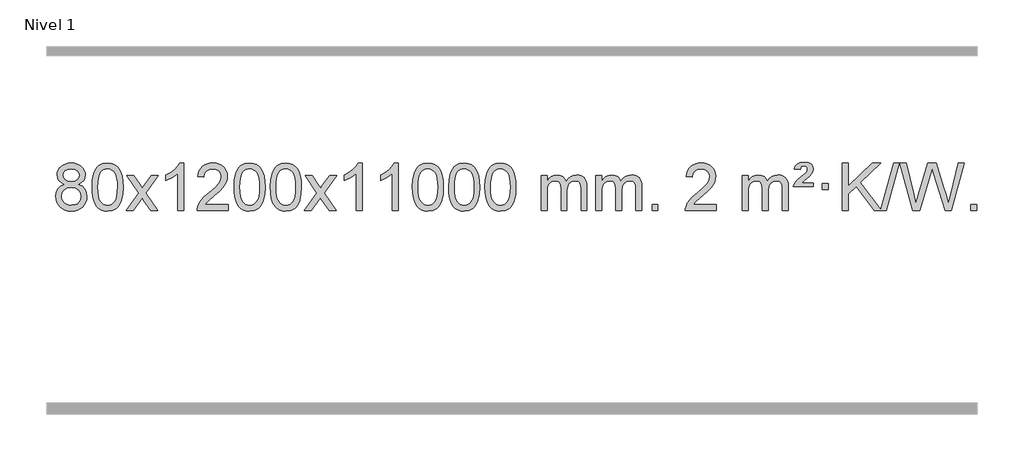
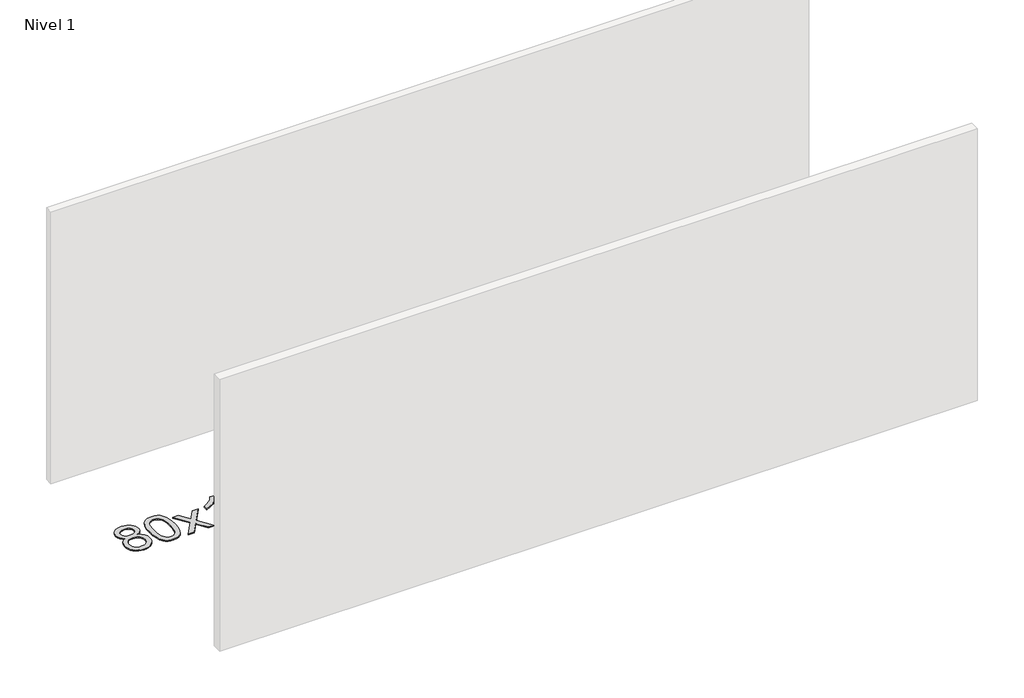
# One storey, part 13 of 14: 1 proxy.
"""IFC4 building model written with IfcOpenShell, lengths in millimetres."""

from ifc_helpers import new_model, si_unit, origin, origin_with_axes, place, context, project, spatial, polyline, outline, extrude, element, save

model = new_model("IFC4")

# Units and contexts
model_context = context("Model", 3, world=origin())
ifc_project = project(units=[si_unit("LENGTHUNIT", "METRE", prefix="MILLI")], contexts=[model_context])

# Site, building, storey
site = spatial("IfcSite", under=ifc_project)
building = spatial("IfcBuilding", under=site)
storey = spatial("IfcBuildingStorey", under=building, Name="Nivel 1", Elevation=0.0)

# Proxy
placement = place(None, origin())
element("IfcBuildingElementProxy", 1, Name="Texto de modelo 1", ObjectType="Texto de modelo 1", at=placement, inside=storey, context=model_context, shape_type="SweptSolid", body=[
    extrude(outline(polyline([(-79.8464592, -170.2616447), (-106.738633, -157.0178929), (-125.6109794, -139.0652515), (-136.7578039, -116.7716026), (-140.473412, -90.5048281), (-138.450061, -70.0199324), (-132.3800081, -51.2395565), (-122.2632532, -34.1637006), (-108.0997964, -18.7923645), (-90.5702194, -6.088173), (-70.3551037, 2.9862496), (-47.4544495, 8.4309031), (-21.8682568, 10.2457876), (3.8405633, 8.3879835), (26.9128958, 2.8145713), (47.3487406, -6.4744491), (65.1480978, -19.4790776), (79.569072, -35.1508506), (89.8697679, -52.4413044), (96.0501854, -71.3504389), (98.1103246, -91.8782543), (94.4437674, -117.2989001), (83.4440957, -139.2124043), (64.9886823, -157.0546811), (38.9548998, -170.2616447), (69.8692501, -186.1909351), (92.3713655, -209.6495436), (106.0933639, -239.5092989), (110.6673634, -274.6420295), (108.3987577, -299.6947933), (101.5929408, -322.6628926), (90.2499126, -343.5463272), (74.3696732, -362.3450971), (54.7860883, -377.88198), (32.3330239, -388.9797536), (7.0104799, -395.6384177), (-21.1815437, -397.8579724), (-49.3735673, -395.6292206), (-74.6961113, -388.9429654), (-97.1491757, -377.7992066), (-116.7327606, -362.1979443), (-132.613, -343.26735), (-143.9560282, -322.135595), (-150.7618451, -298.8026795), (-153.0304508, -273.2686033), (-148.2725103, -236.7747094), (-133.9986889, -206.7555386), (-110.9447505, -184.2411605), (-79.8464592, -170.2616447)]), holes=[polyline([(-90.2452569, -91.9763561), (-85.7938848, -113.902123), (-72.4397684, -131.413306), (-50.5753151, -142.8912243), (-20.5929325, -146.717197), (8.6904743, -142.9157497), (30.2238338, -131.5114079), (43.4675856, -114.5888361), (47.8821695, -94.232699), (43.3204328, -73.1040098), (29.6352226, -55.629615), (7.8075575, -43.8941794), (-21.1815437, -39.9823675), (-50.3545859, -43.8083402), (-72.1454628, -55.2862585), (-85.7203084, -72.1107284), (-90.2452569, -91.9763561)]), polyline([(-102.8022957, -271.5027698), (-100.7053683, -290.7184726), (-94.4145862, -309.3210389), (-82.8017779, -325.5446349), (-64.7387719, -337.623427), (-43.1073106, -345.1282197), (-20.7891362, -347.6298173), (13.3993638, -342.3691048), (27.2930405, -335.7932141), (39.0530016, -326.5869672), (55.0926566, -302.6869002), (60.4392083, -273.0723996), (54.9209784, -242.9551269), (38.3662886, -218.5277625), (26.2874964, -209.0854579), (12.1240396, -202.3409547), (-22.4568679, -196.9453521), (-56.1671214, -202.2673783), (-69.9044483, -208.919911), (-81.5632418, -218.2334569), (-97.4925322, -242.1948375), (-102.8022957, -271.5027698)])]), origin_with_axes(), (0.0, 0.0, 1.0), 10.0),
    extrude(outline(polyline([(154.6169991, -193.9041943), (158.3080817, -129.5861588), (169.3813298, -78.2911459), (187.7263786, -39.2343407), (199.5844416, -24.0009605), (213.2328636, -11.6309284), (228.7176299, -2.0598651), (246.0847258, 4.7766086), (286.4659061, 10.2457876), (317.4170447, 7.008426), (345.1308216, -2.7036586), (368.3073873, -18.5103217), (385.646892, -40.0314184), (398.7434911, -67.0830078), (409.1913397, -99.4811488), (416.0339448, -140.6226186), (418.3148132, -193.9041943), (414.6605187, -257.8543477), (403.6976353, -309.0267333), (385.462951, -348.1203266), (373.6324792, -363.3996922), (359.9932542, -375.8341036), (344.4900938, -385.4695462), (327.0678157, -392.3520052), (286.4659061, -397.8579724), (258.8011801, -395.4667394), (234.2757138, -388.2930405), (212.8895071, -376.3368757), (194.6425601, -359.5982449), (177.1313772, -329.3399508), (164.6233893, -291.6381776), (157.1185966, -246.4929255), (154.6169991, -193.9041943)]), holes=[polyline([(204.8451541, -193.8060924), (206.3166821, -237.4706195), (210.7312661, -272.8148822), (218.088906, -299.8388804), (228.3896018, -318.5426142), (240.8485387, -331.2682656), (254.6809018, -340.3580165), (269.8866909, -345.8118671), (286.4659061, -347.6298173), (303.0451214, -345.8057357), (318.2509105, -340.3334911), (332.0832735, -331.2130833), (344.5422104, -318.4445124), (354.8429063, -299.7101217), (362.2005462, -272.6922549), (366.6151301, -237.3909118), (368.0866581, -193.8060924), (366.6641811, -151.2973278), (362.3967499, -116.5753989), (355.2843647, -89.6403055), (345.3270254, -70.4920476), (333.0765549, -57.1440625), (319.0847764, -47.6097875), (303.3516897, -41.8892225), (285.8772949, -39.9823675), (269.3839188, -41.6623619), (254.4356471, -46.7023452), (241.0324797, -55.1023175), (229.1744168, -66.8622786), (218.5303644, -87.708925), (210.9274698, -115.8151094), (206.3657331, -151.1808319), (204.8451541, -193.8060924)])]), origin_with_axes(), (0.0, 0.0, 1.0), 10.0),
    extrude(outline(polyline([(443.4288907, -391.579453), (550.7523315, -243.2494325), (449.7074101, -96.4890419), (510.1381592, -96.4890419), (558.8947863, -167.122385), (581.6544191, -200.4770192), (601.372894, -173.2047007), (656.8985498, -96.4890419), (717.3292989, -96.4890419), (611.1830805, -243.2494325), (713.4052243, -391.579453), (652.9744752, -391.579453), (591.4646056, -302.4048574), (580.1828911, -286.1199477), (503.8596398, -391.579453), (443.4288907, -391.579453)])), origin_with_axes(), (0.0, 0.0, 1.0), 10.0),
    extrude(outline(polyline([(933.1534027, -391.579453), (882.9252476, -391.579453), (882.9252476, -78.4382987), (861.9559739, -95.3976587), (835.3458429, -112.3324932), (782.4689375, -137.6918254), (782.4689375, -90.2105225), (821.9181501, -68.7507395), (856.0943875, -43.219729), (883.0356122, -16.0700378), (900.7797871, 10.2457876), (933.1534027, 10.2457876), (933.1534027, -391.579453)])), origin_with_axes(), (0.0, 0.0, 1.0), 10.0),
    extrude(outline(polyline([(1309.8645658, -341.3512979), (1309.8645658, -391.579453), (1046.1667516, -391.579453), (1047.2703976, -373.8965918), (1051.5623542, -356.9494945), (1063.9477147, -329.8856424), (1082.0720344, -303.6311307), (1108.2897579, -276.1503456), (1144.9553301, -245.4076736), (1199.1566107, -197.2641831), (1231.6773791, -161.7267824), (1247.9377633, -132.884834), (1253.3578913, -104.8277005), (1248.2443316, -79.6768347), (1232.9036524, -58.7688747), (1209.3224165, -44.6789943), (1179.4871867, -39.9823675), (1148.1559034, -44.5686297), (1123.8143781, -58.3274163), (1108.1058169, -80.1796068), (1102.6734261, -109.0460807), (1052.445271, -102.7675613), (1056.7648188, -76.838012), (1064.6221651, -54.1826125), (1076.0173099, -34.8013627), (1090.9502532, -18.6942627), (1109.0776385, -6.0329907), (1130.0561093, 3.010775), (1153.8856655, 8.4370345), (1180.5663072, 10.2457876), (1207.4860722, 8.2346994), (1231.4443871, 2.2014346), (1252.441252, -7.8540066), (1270.4766668, -21.9316242), (1284.9620204, -38.9890861), (1295.3087015, -57.9840598), (1301.5167102, -78.9165453), (1303.5860464, -101.7865427), (1301.354229, -125.8092369), (1294.6587766, -149.4149983), (1282.7761882, -173.4254299), (1264.9829624, -198.6621347), (1236.6192605, -228.7916701), (1193.0252441, -267.4805933), (1135.2432454, -315.795762), (1112.5817145, -341.3512979), (1309.8645658, -341.3512979)])), origin_with_axes(), (0.0, 0.0, 1.0), 10.0),
    extrude(outline(polyline([(1360.0927209, -193.9041943), (1363.7838035, -129.5861588), (1374.8570516, -78.2911459), (1393.2021004, -39.2343407), (1405.0601634, -24.0009605), (1418.7085854, -11.6309284), (1434.1933517, -2.0598651), (1451.5604476, 4.7766086), (1491.9416279, 10.2457876), (1522.8927665, 7.008426), (1550.6065434, -2.7036586), (1573.7831091, -18.5103217), (1591.1226138, -40.0314184), (1604.2192129, -67.0830078), (1614.6670615, -99.4811488), (1621.5096666, -140.6226186), (1623.790535, -193.9041943), (1620.1362405, -257.8543477), (1609.1733571, -309.0267333), (1590.9386728, -348.1203266), (1579.108201, -363.3996922), (1565.468976, -375.8341036), (1549.9658156, -385.4695462), (1532.5435375, -392.3520052), (1491.9416279, -397.8579724), (1464.2769019, -395.4667394), (1439.7514355, -388.2930405), (1418.3652289, -376.3368757), (1400.1182819, -359.5982449), (1382.607099, -329.3399508), (1370.0991111, -291.6381776), (1362.5943184, -246.4929255), (1360.0927209, -193.9041943)]), holes=[polyline([(1410.3208759, -193.8060924), (1411.7924039, -237.4706195), (1416.2069879, -272.8148822), (1423.5646278, -299.8388804), (1433.8653236, -318.5426142), (1446.3242605, -331.2682656), (1460.1566235, -340.3580165), (1475.3624127, -345.8118671), (1491.9416279, -347.6298173), (1508.5208432, -345.8057357), (1523.7266323, -340.3334911), (1537.5589953, -331.2130833), (1550.0179322, -318.4445124), (1560.3186281, -299.7101217), (1567.676268, -272.6922549), (1572.0908519, -237.3909118), (1573.5623799, -193.8060924), (1572.1399029, -151.2973278), (1567.8724717, -116.5753989), (1560.7600865, -89.6403055), (1550.8027472, -70.4920476), (1538.5522767, -57.1440625), (1524.5604982, -47.6097875), (1508.8274115, -41.8892225), (1491.3530167, -39.9823675), (1474.8596406, -41.6623619), (1459.9113689, -46.7023452), (1446.5082015, -55.1023175), (1434.6501385, -66.8622786), (1424.0060862, -87.708925), (1416.4031916, -115.8151094), (1411.8414548, -151.1808319), (1410.3208759, -193.8060924)])]), origin_with_axes(), (0.0, 0.0, 1.0), 10.0),
    extrude(outline(polyline([(1667.7401707, -193.9041943), (1671.4312534, -129.5861588), (1682.5045014, -78.2911459), (1700.8495503, -39.2343407), (1712.7076132, -24.0009605), (1726.3560353, -11.6309284), (1741.8408016, -2.0598651), (1759.2078974, 4.7766086), (1799.5890778, 10.2457876), (1830.5402163, 7.008426), (1858.2539933, -2.7036586), (1881.430559, -18.5103217), (1898.7700637, -40.0314184), (1911.8666627, -67.0830078), (1922.3145114, -99.4811488), (1929.1571165, -140.6226186), (1931.4379848, -193.9041943), (1927.7836903, -257.8543477), (1916.8208069, -309.0267333), (1898.5861227, -348.1203266), (1886.7556508, -363.3996922), (1873.1164259, -375.8341036), (1857.6132655, -385.4695462), (1840.1909873, -392.3520052), (1799.5890778, -397.8579724), (1771.9243517, -395.4667394), (1747.3988854, -388.2930405), (1726.0126787, -376.3368757), (1707.7657318, -359.5982449), (1690.2545488, -329.3399508), (1677.746561, -291.6381776), (1670.2417683, -246.4929255), (1667.7401707, -193.9041943)]), holes=[polyline([(1717.9683258, -193.8060924), (1719.4398537, -237.4706195), (1723.8544377, -272.8148822), (1731.2120776, -299.8388804), (1741.5127735, -318.5426142), (1753.9717104, -331.2682656), (1767.8040734, -340.3580165), (1783.0098625, -345.8118671), (1799.5890778, -347.6298173), (1816.168293, -345.8057357), (1831.3740821, -340.3334911), (1845.2064452, -331.2130833), (1857.6653821, -318.4445124), (1867.9660779, -299.7101217), (1875.3237178, -272.6922549), (1879.7383018, -237.3909118), (1881.2098298, -193.8060924), (1879.7873527, -151.2973278), (1875.5199216, -116.5753989), (1868.4075363, -89.6403055), (1858.450197, -70.4920476), (1846.1997266, -57.1440625), (1832.207948, -47.6097875), (1816.4748613, -41.8892225), (1799.0004666, -39.9823675), (1782.5070905, -41.6623619), (1767.5588187, -46.7023452), (1754.1556514, -55.1023175), (1742.2975884, -66.8622786), (1731.653536, -87.708925), (1724.0506414, -115.8151094), (1719.4889047, -151.1808319), (1717.9683258, -193.8060924)])]), origin_with_axes(), (0.0, 0.0, 1.0), 10.0),
    extrude(outline(polyline([(1956.5520624, -391.579453), (2063.8755031, -243.2494325), (1962.8305818, -96.4890419), (2023.2613308, -96.4890419), (2072.0179579, -167.122385), (2094.7775907, -200.4770192), (2114.4960656, -173.2047007), (2170.0217214, -96.4890419), (2230.4524705, -96.4890419), (2124.3062522, -243.2494325), (2226.5283959, -391.579453), (2166.0976468, -391.579453), (2104.5877772, -302.4048574), (2093.3060627, -286.1199477), (2016.9828114, -391.579453), (1956.5520624, -391.579453)])), origin_with_axes(), (0.0, 0.0, 1.0), 10.0),
    extrude(outline(polyline([(2446.2765744, -391.579453), (2396.0484193, -391.579453), (2396.0484193, -78.4382987), (2375.0791456, -95.3976587), (2348.4690146, -112.3324932), (2295.5921091, -137.6918254), (2295.5921091, -90.2105225), (2335.0413217, -68.7507395), (2369.2175591, -43.219729), (2396.1587839, -16.0700378), (2413.9029588, 10.2457876), (2446.2765744, 10.2457876), (2446.2765744, -391.579453)])), origin_with_axes(), (0.0, 0.0, 1.0), 10.0),
    extrude(outline(polyline([(2753.9240242, -391.579453), (2703.6958691, -391.579453), (2703.6958691, -78.4382987), (2682.7265954, -95.3976587), (2656.1164644, -112.3324932), (2603.239559, -137.6918254), (2603.239559, -90.2105225), (2642.6887716, -68.7507395), (2676.8650089, -43.219729), (2703.8062337, -16.0700378), (2721.5504086, 10.2457876), (2753.9240242, 10.2457876), (2753.9240242, -391.579453)])), origin_with_axes(), (0.0, 0.0, 1.0), 10.0),
    extrude(outline(polyline([(2873.2158925, -193.9041943), (2876.9069752, -129.5861588), (2887.9802232, -78.2911459), (2906.3252721, -39.2343407), (2918.183335, -24.0009605), (2931.8317571, -11.6309284), (2947.3165234, -2.0598651), (2964.6836192, 4.7766086), (3005.0647996, 10.2457876), (3036.0159381, 7.008426), (3063.7297151, -2.7036586), (3086.9062808, -18.5103217), (3104.2457855, -40.0314184), (3117.3423845, -67.0830078), (3127.7902331, -99.4811488), (3134.6328383, -140.6226186), (3136.9137066, -193.9041943), (3133.2594121, -257.8543477), (3122.2965287, -309.0267333), (3104.0618445, -348.1203266), (3092.2313726, -363.3996922), (3078.5921477, -375.8341036), (3063.0889872, -385.4695462), (3045.6667091, -392.3520052), (3005.0647996, -397.8579724), (2977.4000735, -395.4667394), (2952.8746072, -388.2930405), (2931.4884005, -376.3368757), (2913.2414536, -359.5982449), (2895.7302706, -329.3399508), (2883.2222828, -291.6381776), (2875.7174901, -246.4929255), (2873.2158925, -193.9041943)]), holes=[polyline([(2923.4440476, -193.8060924), (2924.9155755, -237.4706195), (2929.3301595, -272.8148822), (2936.6877994, -299.8388804), (2946.9884953, -318.5426142), (2959.4474322, -331.2682656), (2973.2797952, -340.3580165), (2988.4855843, -345.8118671), (3005.0647996, -347.6298173), (3021.6440148, -345.8057357), (3036.8498039, -340.3334911), (3050.682167, -331.2130833), (3063.1411039, -318.4445124), (3073.4417997, -299.7101217), (3080.7994396, -272.6922549), (3085.2140236, -237.3909118), (3086.6855516, -193.8060924), (3085.2630745, -151.2973278), (3080.9956434, -116.5753989), (3073.8832581, -89.6403055), (3063.9259188, -70.4920476), (3051.6754483, -57.1440625), (3037.6836698, -47.6097875), (3021.9505831, -41.8892225), (3004.4761884, -39.9823675), (2987.9828122, -41.6623619), (2973.0345405, -46.7023452), (2959.6313732, -55.1023175), (2947.7733102, -66.8622786), (2937.1292578, -87.708925), (2929.5263632, -115.8151094), (2924.9646265, -151.1808319), (2923.4440476, -193.8060924)])]), origin_with_axes(), (0.0, 0.0, 1.0), 10.0),
    extrude(outline(polyline([(3180.8633423, -193.9041943), (3184.554425, -129.5861588), (3195.6276731, -78.2911459), (3213.9727219, -39.2343407), (3225.8307849, -24.0009605), (3239.4792069, -11.6309284), (3254.9639732, -2.0598651), (3272.3310691, 4.7766086), (3312.7122494, 10.2457876), (3343.6633879, 7.008426), (3371.3771649, -2.7036586), (3394.5537306, -18.5103217), (3411.8932353, -40.0314184), (3424.9898343, -67.0830078), (3435.437683, -99.4811488), (3442.2802881, -140.6226186), (3444.5611565, -193.9041943), (3440.906862, -257.8543477), (3429.9439785, -309.0267333), (3411.7092943, -348.1203266), (3399.8788225, -363.3996922), (3386.2395975, -375.8341036), (3370.7364371, -385.4695462), (3353.3141589, -392.3520052), (3312.7122494, -397.8579724), (3285.0475234, -395.4667394), (3260.522057, -388.2930405), (3239.1358504, -376.3368757), (3220.8889034, -359.5982449), (3203.3777204, -329.3399508), (3190.8697326, -291.6381776), (3183.3649399, -246.4929255), (3180.8633423, -193.9041943)]), holes=[polyline([(3231.0914974, -193.8060924), (3232.5630254, -237.4706195), (3236.9776093, -272.8148822), (3244.3352492, -299.8388804), (3254.6359451, -318.5426142), (3267.094882, -331.2682656), (3280.927245, -340.3580165), (3296.1330341, -345.8118671), (3312.7122494, -347.6298173), (3329.2914646, -345.8057357), (3344.4972538, -340.3334911), (3358.3296168, -331.2130833), (3370.7885537, -318.4445124), (3381.0892496, -299.7101217), (3388.4468895, -272.6922549), (3392.8614734, -237.3909118), (3394.3330014, -193.8060924), (3392.9105243, -151.2973278), (3388.6430932, -116.5753989), (3381.530708, -89.6403055), (3371.5733686, -70.4920476), (3359.3228982, -57.1440625), (3345.3311196, -47.6097875), (3329.598033, -41.8892225), (3312.1236382, -39.9823675), (3295.6302621, -41.6623619), (3280.6819903, -46.7023452), (3267.278823, -55.1023175), (3255.42076, -66.8622786), (3244.7767076, -87.708925), (3237.173813, -115.8151094), (3232.6120763, -151.1808319), (3231.0914974, -193.8060924)])]), origin_with_axes(), (0.0, 0.0, 1.0), 10.0),
    extrude(outline(polyline([(3488.5107922, -193.9041943), (3492.2018748, -129.5861588), (3503.2751229, -78.2911459), (3521.6201717, -39.2343407), (3533.4782347, -24.0009605), (3547.1266567, -11.6309284), (3562.611423, -2.0598651), (3579.9785189, 4.7766086), (3620.3596992, 10.2457876), (3651.3108378, 7.008426), (3679.0246147, -2.7036586), (3702.2011804, -18.5103217), (3719.5406851, -40.0314184), (3732.6372842, -67.0830078), (3743.0851328, -99.4811488), (3749.9277379, -140.6226186), (3752.2086063, -193.9041943), (3748.5543118, -257.8543477), (3737.5914284, -309.0267333), (3719.3567441, -348.1203266), (3707.5262723, -363.3996922), (3693.8870473, -375.8341036), (3678.3838869, -385.4695462), (3660.9616088, -392.3520052), (3620.3596992, -397.8579724), (3592.6949732, -395.4667394), (3568.1695068, -388.2930405), (3546.7833002, -376.3368757), (3528.5363532, -359.5982449), (3511.0251703, -329.3399508), (3498.5171824, -291.6381776), (3491.0123897, -246.4929255), (3488.5107922, -193.9041943)]), holes=[polyline([(3538.7389472, -193.8060924), (3540.2104752, -237.4706195), (3544.6250592, -272.8148822), (3551.9826991, -299.8388804), (3562.2833949, -318.5426142), (3574.7423318, -331.2682656), (3588.5746948, -340.3580165), (3603.780484, -345.8118671), (3620.3596992, -347.6298173), (3636.9389145, -345.8057357), (3652.1447036, -340.3334911), (3665.9770666, -331.2130833), (3678.4360035, -318.4445124), (3688.7366994, -299.7101217), (3696.0943393, -272.6922549), (3700.5089232, -237.3909118), (3701.9804512, -193.8060924), (3700.5579742, -151.2973278), (3696.290543, -116.5753989), (3689.1781578, -89.6403055), (3679.2208185, -70.4920476), (3666.970348, -57.1440625), (3652.9785695, -47.6097875), (3637.2454828, -41.8892225), (3619.771088, -39.9823675), (3603.2777119, -41.6623619), (3588.3294402, -46.7023452), (3574.9262728, -55.1023175), (3563.0682098, -66.8622786), (3552.4241574, -87.708925), (3544.8212629, -115.8151094), (3540.2595261, -151.1808319), (3538.7389472, -193.8060924)])]), origin_with_axes(), (0.0, 0.0, 1.0), 10.0),
    extrude(outline(polyline([(3965.6782654, -391.579453), (3965.6782654, -96.4890419), (4015.9064204, -96.4890419), (4015.9064204, -145.0494653), (4031.0141077, -122.7435537), (4050.4382771, -105.2691589), (4073.5167409, -93.9751816), (4099.5873116, -90.2105225), (4127.5218178, -94.048758), (4149.9135685, -105.5634645), (4166.6399366, -123.9943524), (4177.5782946, -148.5811324), (4195.8865552, -123.0439906), (4216.7699898, -104.803175), (4240.2285984, -93.8586857), (4266.2623809, -90.2105225), (4286.3701976, -91.7280358), (4304.0193363, -96.2805755), (4319.209797, -103.8681416), (4331.9415798, -114.4907342), (4342.006218, -128.2709806), (4349.1952453, -145.3315082), (4353.5086617, -165.6723168), (4354.9464672, -189.2934066), (4354.9464672, -391.579453), (4304.7183121, -391.579453), (4304.7183121, -210.875817), (4303.5533525, -185.8230531), (4300.0584735, -168.9372695), (4293.510174, -157.3735121), (4283.1849527, -148.2868268), (4269.9044126, -142.4007149), (4254.490157, -140.4386776), (4227.2791521, -145.4663982), (4205.0958678, -160.54956), (4196.4904948, -172.1194488), (4190.3437998, -186.7182326), (4185.4264438, -225.0024856), (4185.4264438, -391.579453), (4135.1982887, -391.579453), (4135.1982887, -205.2840106), (4132.292021, -176.8835206), (4123.5732177, -156.6254854), (4108.2325385, -144.4853796), (4085.460643, -140.4386776), (4066.11005, -143.1364789), (4048.280036, -151.2298828), (4033.5647562, -164.5226856), (4023.5583659, -182.8186835), (4017.8194068, -208.2025411), (4015.9064204, -242.7589232), (4015.9064204, -391.579453), (3965.6782654, -391.579453)])), origin_with_axes(), (0.0, 0.0, 1.0), 10.0),
    extrude(outline(polyline([(4430.2886998, -391.579453), (4430.2886998, -96.4890419), (4480.5168549, -96.4890419), (4480.5168549, -145.0494653), (4495.6245421, -122.7435537), (4515.0487115, -105.2691589), (4538.1271753, -93.9751816), (4564.197746, -90.2105225), (4592.1322522, -94.048758), (4614.524003, -105.5634645), (4631.250371, -123.9943524), (4642.188729, -148.5811324), (4660.4969897, -123.0439906), (4681.3804242, -104.803175), (4704.8390328, -93.8586857), (4730.8728153, -90.2105225), (4750.9806321, -91.7280358), (4768.6297708, -96.2805755), (4783.8202315, -103.8681416), (4796.5520142, -114.4907342), (4806.6166525, -128.2709806), (4813.8056798, -145.3315082), (4818.1190962, -165.6723168), (4819.5569016, -189.2934066), (4819.5569016, -391.579453), (4769.3287466, -391.579453), (4769.3287466, -210.875817), (4768.1637869, -185.8230531), (4764.668908, -168.9372695), (4758.1206084, -157.3735121), (4747.7953871, -148.2868268), (4734.5148471, -142.4007149), (4719.1005915, -140.4386776), (4691.8895866, -145.4663982), (4669.7063023, -160.54956), (4661.1009293, -172.1194488), (4654.9542343, -186.7182326), (4650.0368783, -225.0024856), (4650.0368783, -391.579453), (4599.8087232, -391.579453), (4599.8087232, -205.2840106), (4596.9024554, -176.8835206), (4588.1836521, -156.6254854), (4572.8429729, -144.4853796), (4550.0710774, -140.4386776), (4530.7204845, -143.1364789), (4512.8904705, -151.2298828), (4498.1751906, -164.5226856), (4488.1688004, -182.8186835), (4482.4298413, -208.2025411), (4480.5168549, -242.7589232), (4480.5168549, -391.579453), (4430.2886998, -391.579453)])), origin_with_axes(), (0.0, 0.0, 1.0), 10.0),
    extrude(outline(polyline([(4907.456173, -391.579453), (4907.456173, -341.3512979), (4957.6843281, -341.3512979), (4957.6843281, -391.579453), (4907.456173, -391.579453)])), origin_with_axes(), (0.0, 0.0, 1.0), 10.0),
    extrude(outline(polyline([(5453.6873595, -341.3512979), (5453.6873595, -391.579453), (5189.9895453, -391.579453), (5191.0931913, -373.8965918), (5195.3851479, -356.9494945), (5207.7705084, -329.8856424), (5225.894828, -303.6311307), (5252.1125516, -276.1503456), (5288.7781237, -245.4076736), (5342.9794044, -197.2641831), (5375.5001727, -161.7267824), (5391.7605569, -132.884834), (5397.180685, -104.8277005), (5392.0671253, -79.6768347), (5376.7264461, -58.7688747), (5353.1452102, -44.6789943), (5323.3099804, -39.9823675), (5291.9786971, -44.5686297), (5267.6371718, -58.3274163), (5251.9286106, -80.1796068), (5246.4962198, -109.0460807), (5196.2680647, -102.7675613), (5200.5876125, -76.838012), (5208.4449587, -54.1826125), (5219.8401035, -34.8013627), (5234.7730469, -18.6942627), (5252.9004322, -6.0329907), (5273.8789029, 3.010775), (5297.7084592, 8.4370345), (5324.3891009, 10.2457876), (5351.3088659, 8.2346994), (5375.2671808, 2.2014346), (5396.2640457, -7.8540066), (5414.2994605, -21.9316242), (5428.7848141, -38.9890861), (5439.1314952, -57.9840598), (5445.3395038, -78.9165453), (5447.4088401, -101.7865427), (5445.1770226, -125.8092369), (5438.4815703, -149.4149983), (5426.5989819, -173.4254299), (5408.805756, -198.6621347), (5380.4420542, -228.7916701), (5336.8480378, -267.4805933), (5279.0660391, -315.795762), (5256.4045082, -341.3512979), (5453.6873595, -341.3512979)])), origin_with_axes(), (0.0, 0.0, 1.0), 10.0),
    extrude(outline(polyline([(5673.4355379, -391.579453), (5673.4355379, -96.4890419), (5723.663693, -96.4890419), (5723.663693, -145.0494653), (5738.7713803, -122.7435537), (5758.1955496, -105.2691589), (5781.2740134, -93.9751816), (5807.3445842, -90.2105225), (5835.2790903, -94.048758), (5857.6708411, -105.5634645), (5874.3972091, -123.9943524), (5885.3355671, -148.5811324), (5903.6438278, -123.0439906), (5924.5272623, -104.803175), (5947.9858709, -93.8586857), (5974.0196534, -90.2105225), (5994.1274702, -91.7280358), (6011.7766089, -96.2805755), (6026.9670696, -103.8681416), (6039.6988523, -114.4907342), (6049.7634906, -128.2709806), (6056.9525179, -145.3315082), (6061.2659343, -165.6723168), (6062.7037397, -189.2934066), (6062.7037397, -391.579453), (6012.4755847, -391.579453), (6012.4755847, -210.875817), (6011.310625, -185.8230531), (6007.8157461, -168.9372695), (6001.2674465, -157.3735121), (5990.9422252, -148.2868268), (5977.6616852, -142.4007149), (5962.2474296, -140.4386776), (5935.0364247, -145.4663982), (5912.8531404, -160.54956), (5904.2477674, -172.1194488), (5898.1010724, -186.7182326), (5893.1837164, -225.0024856), (5893.1837164, -391.579453), (5842.9555613, -391.579453), (5842.9555613, -205.2840106), (5840.0492935, -176.8835206), (5831.3304902, -156.6254854), (5815.989811, -144.4853796), (5793.2179155, -140.4386776), (5773.8673226, -143.1364789), (5756.0373086, -151.2298828), (5741.3220287, -164.5226856), (5731.3156385, -182.8186835), (5725.5766794, -208.2025411), (5723.663693, -242.7589232), (5723.663693, -391.579453), (5673.4355379, -391.579453)])), origin_with_axes(), (0.0, 0.0, 1.0), 10.0),
    extrude(outline(polyline([(6106.6533754, -190.6668327), (6110.4793482, -174.8479069), (6118.8180067, -158.9799302), (6140.3268407, -133.8413272), (6172.2835234, -106.1030247), (6216.4293628, -68.726214), (6223.5662735, -57.1992448), (6225.9452437, -45.3779701), (6224.0567828, -33.2869152), (6218.3914001, -23.5012541), (6209.022672, -17.026531), (6196.0241748, -14.8682899), (6183.5897634, -16.4869707), (6174.73607, -21.343013), (6168.3103978, -30.8098431), (6163.1600499, -46.2608869), (6112.9318948, -39.9823675), (6123.7721509, -14.7701881), (6140.4004171, 2.7900458), (6164.165594, 13.0907417), (6196.4165822, 16.524307), (6232.1992376, 12.3917659), (6256.9454332, -0.0058573), (6271.3664074, -18.3386434), (6276.1733988, -40.2766731), (6272.0776459, -63.1834586), (6259.7903873, -84.8149199), (6239.262572, -104.6314968), (6202.7932035, -132.6886303), (6177.1886166, -159.2742358), (6276.1733988, -159.2742358), (6276.1733988, -190.6668327), (6106.6533754, -190.6668327)])), origin_with_axes(), (0.0, 0.0, 1.0), 10.0),
    extrude(outline(polyline([(6351.5156314, -215.7809102), (6351.5156314, -165.5527552), (6401.7437865, -165.5527552), (6401.7437865, -215.7809102), (6351.5156314, -215.7809102)])), origin_with_axes(), (0.0, 0.0, 1.0), 10.0),
    extrude(outline(polyline([(6792.3854144, -391.579453), (6638.954097, -188.9009991), (6571.2638099, -253.4520265), (6571.2638099, -391.579453), (6521.0356548, -391.579453), (6521.0356548, 10.2457876), (6571.2638099, 10.2457876), (6571.2638099, -186.4484525), (6777.2777272, 10.2457876), (6847.5186628, 10.2457876), (6674.5650741, -154.9577537), (6849.218684, -385.5349332), (6960.5320117, 10.2457876), (7005.8550735, 10.2457876), (6892.8417246, -391.579453), (6853.7971822, -391.579453), (6847.5186628, -391.579453), (6792.3854144, -391.579453)])), origin_with_axes(), (0.0, 0.0, 1.0), 10.0),
    extrude(outline(polyline([(7120.3399504, -391.579453), (7010.7601668, 10.2457876), (7062.5579517, 10.2457876), (7126.1279605, -253.844434), (7145.7483335, -335.3670841), (7166.7421327, -263.2622131), (7246.4008474, 10.2457876), (7321.056367, 10.2457876), (7378.9364675, -188.0180823), (7403.731714, -261.5944814), (7422.0031864, -335.3670841), (7441.0349483, -256.1988788), (7505.1935683, 10.2457876), (7556.9913532, 10.2457876), (7447.3134677, -391.579453), (7393.6517474, -391.579453), (7297.3157155, -81.5775584), (7283.87576, -38.3146358), (7268.7680727, -90.4067263), (7180.9669032, -391.579453), (7120.3399504, -391.579453)])), origin_with_axes(), (0.0, 0.0, 1.0), 10.0),
    extrude(outline(polyline([(7613.4980277, -391.579453), (7613.4980277, -341.3512979), (7663.7261827, -341.3512979), (7663.7261827, -391.579453), (7613.4980277, -391.579453)])), origin_with_axes(), (0.0, 0.0, 1.0), 10.0),
])

save(model, "model.ifc")
